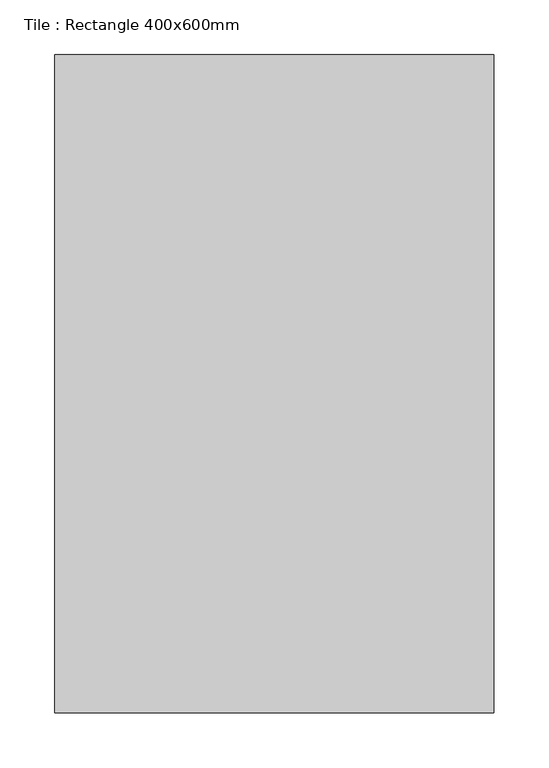
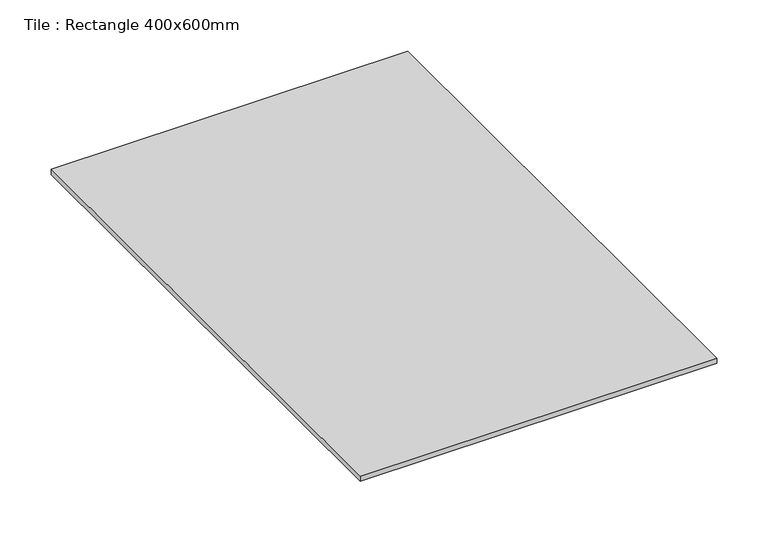
"""IFC4 building model written with IfcOpenShell, lengths in millimetres: proxy geometry, Tile : Rectangle 400x600mm."""

import ifcopenshell
import ifcopenshell.guid

model = None  # the IFC model being written
_history = None  # IfcOwnerHistory: only IFC2X3 demands one
_inside = {}  # id of a spatial element -> (the spatial element, [elements in it])
_under = {}  # id of a project, library or spatial element -> (it, [spatial elements below it])
_declared = {}  # id of a project -> (the project, [libraries it declares])
_typed = {}  # id of a type object -> (the type object, [elements of that type])
_made_of = {}  # id of a material, layer set ... -> (it, [elements and type objects made of it])


def new_model(schema):
    """Start an empty IFC model of exactly this schema.

    Asked for "IFC4X3", IfcOpenShell would pick the latest addendum, in which some entities
    have other attributes; the version numbers below select the first issue.
    IFC2X3 requires an IfcOwnerHistory on every rooted entity: one is made here for all.
    """
    global model, _history
    if schema == "IFC4X3":
        model = ifcopenshell.file(schema_version=(4, 3, 0, 0))
    else:
        model = ifcopenshell.file(schema=schema)
    _inside.clear()
    _under.clear()
    _declared.clear()
    _typed.clear()
    _made_of.clear()
    _history = None
    if model.schema == "IFC2X3":
        org = make("IfcOrganization", Name="unknown")
        user = make(
            "IfcPersonAndOrganization",
            ThePerson=make("IfcPerson", FamilyName="unknown"),
            TheOrganization=org,
        )
        app = make(
            "IfcApplication",
            ApplicationDeveloper=org,
            Version="unknown",
            ApplicationFullName="unknown",
            ApplicationIdentifier="unknown",
        )
        _history = make(
            "IfcOwnerHistory",
            OwningUser=user,
            OwningApplication=app,
            ChangeAction="ADDED",
            CreationDate=0,
        )
    return model


def make(cls, **values):
    """One entity of the class cls with the attributes given. An attribute that is None is left unset."""
    return model.create_entity(
        cls, **{name: value for name, value in values.items() if value is not None}
    )


def rooted(cls, **values):
    """An entity with a GlobalId (a new one), such as an element, a storey or a relation."""
    return make(cls, GlobalId=ifcopenshell.guid.new(), OwnerHistory=_history, **values)


def si_unit(unit_type, name, prefix=None):
    """IfcSIUnit, for example si_unit("LENGTHUNIT", "METRE", prefix="MILLI")."""
    return make("IfcSIUnit", UnitType=unit_type, Prefix=prefix, Name=name)


def assignment(units):
    """IfcUnitAssignment: the units of a project."""
    return None if units is None else make("IfcUnitAssignment", Units=units)


def point(xyz):
    """IfcCartesianPoint."""
    return None if xyz is None else make("IfcCartesianPoint", Coordinates=xyz)


def direction(xyz):
    """IfcDirection."""
    return None if xyz is None else make("IfcDirection", DirectionRatios=xyz)


def frame(location, z_axis=None, x_axis=None):
    """IfcAxis2Placement3D, a coordinate frame: its origin and axes. An axis left out is left unset."""
    return make(
        "IfcAxis2Placement3D",
        Location=point(location),
        Axis=direction(z_axis),
        RefDirection=direction(x_axis),
    )


def origin():
    """The frame at (0, 0, 0) with its axes left unset."""
    return frame((0.0, 0.0, 0.0))


def origin_with_axes():
    """The frame at (0, 0, 0) with the z axis (0, 0, 1) and the x axis (1, 0, 0) written out."""
    return frame((0.0, 0.0, 0.0), z_axis=(0.0, 0.0, 1.0), x_axis=(1.0, 0.0, 0.0))


def place(relative_to, where):
    """IfcLocalPlacement: puts the frame where relative to a parent placement (None: the world)."""
    return make(
        "IfcLocalPlacement", PlacementRelTo=relative_to, RelativePlacement=where
    )


def context(
    kind, dimensions, precision=None, world=None, true_north=None, identifier=None
):
    """IfcGeometricRepresentationContext, for example the 3D "Model" context."""
    return make(
        "IfcGeometricRepresentationContext",
        ContextIdentifier=identifier,
        ContextType=kind,
        CoordinateSpaceDimension=dimensions,
        Precision=precision,
        WorldCoordinateSystem=world,
        TrueNorth=true_north,
    )


def project(units=None, contexts=None):
    """IfcProject with its units and contexts."""
    return rooted(
        "IfcProject",
        Name="project",
        RepresentationContexts=contexts,
        UnitsInContext=assignment(units),
    )


def spatial(cls, under=None, at=None, **own):
    """A site, building, storey or space (cls), placed at a placement, below another one or the project."""
    s = rooted(cls, ObjectPlacement=at, **own)
    if under is not None:
        _under.setdefault(under.id(), (under, []))[1].append(s)
    return s


def polyline(points):
    """IfcPolyline through the points."""
    return make("IfcPolyline", Points=[point(p) for p in points])


def outline(outer, holes=None, kind="AREA"):
    """IfcArbitraryClosedProfileDef: a profile drawn as a closed curve; with holes, ...WithVoids."""
    if holes is None:
        return make("IfcArbitraryClosedProfileDef", ProfileType=kind, OuterCurve=outer)
    return make(
        "IfcArbitraryProfileDefWithVoids",
        ProfileType=kind,
        OuterCurve=outer,
        InnerCurves=holes,
    )


def extrude(swept, where, along, depth):
    """IfcExtrudedAreaSolid: the profile swept, set in the frame where, extruded along a direction by depth."""
    return make(
        "IfcExtrudedAreaSolid",
        SweptArea=swept,
        Position=where,
        ExtrudedDirection=direction(along),
        Depth=depth,
    )


def shape(context_of_items, identifier, shape_type, items):
    """IfcShapeRepresentation: the items that make up one representation, for example the "Body"."""
    return make(
        "IfcShapeRepresentation",
        ContextOfItems=context_of_items,
        RepresentationIdentifier=identifier,
        RepresentationType=shape_type,
        Items=items,
    )


def source(mapping_origin, context_of_items, identifier, shape_type, items):
    """IfcRepresentationMap: a shape defined once, which mapped items show again and again."""
    return make(
        "IfcRepresentationMap",
        MappingOrigin=mapping_origin,
        MappedRepresentation=shape(context_of_items, identifier, shape_type, items),
    )


def transform(
    local_origin,
    x_axis=None,
    y_axis=None,
    z_axis=None,
    scale=None,
    scale2=None,
    scale3=None,
    uniform=True,
):
    """IfcCartesianTransformationOperator3D, or its non-uniform kind. x_axis, y_axis, z_axis: its Axis1, 2, 3."""
    if uniform:
        return make(
            "IfcCartesianTransformationOperator3D",
            Axis1=direction(x_axis),
            Axis2=direction(y_axis),
            LocalOrigin=point(local_origin),
            Scale=scale,
            Axis3=direction(z_axis),
        )
    return make(
        "IfcCartesianTransformationOperator3DnonUniform",
        Axis1=direction(x_axis),
        Axis2=direction(y_axis),
        LocalOrigin=point(local_origin),
        Scale=scale,
        Axis3=direction(z_axis),
        Scale2=scale2,
        Scale3=scale3,
    )


def mapped(mapping_source, mapping_target):
    """IfcMappedItem: shows the shape of a source again, moved by a transform."""
    return make(
        "IfcMappedItem", MappingSource=mapping_source, MappingTarget=mapping_target
    )


def made_of(thing, what):
    """Note that an element or type object is made of a material, layer set ...; save() writes the relation."""
    if what is not None:
        _made_of.setdefault(what.id(), (what, []))[1].append(thing)
    return thing


def element(
    cls,
    number,
    at=None,
    inside=None,
    cuts=None,
    type_object=None,
    material=None,
    context=None,
    identifier="Body",
    shape_type=None,
    held_by="IfcProductDefinitionShape",
    body=None,
    shapes=None,
    **own,
):
    """One element of the class cls, such as IfcWall. Its Tag is "e" and its number.

    at: its placement. inside: the storey or other place that contains it. cuts: it is an
    opening in that element (IfcRelVoidsElement). A single representation is given by context,
    identifier, shape_type and body (its items); several are given by shapes. held_by: the class
    of the entity that holds the representations. save() writes the other relations.
    """
    e = rooted(cls, Tag="e%d" % number, ObjectPlacement=at, **own)
    if body is not None:
        shapes = [shape(context, identifier, shape_type, body)]
    if shapes is not None:
        e.Representation = make(held_by, Representations=shapes)
    if inside is not None:
        _inside.setdefault(inside.id(), (inside, []))[1].append(e)
    if cuts is not None:
        rooted(
            "IfcRelVoidsElement", RelatingBuildingElement=cuts, RelatedOpeningElement=e
        )
    if type_object is not None:
        _typed.setdefault(type_object.id(), (type_object, []))[1].append(e)
    return made_of(e, material)


def aggregate(whole, parts):
    """IfcRelAggregates: a whole, such as a stair, and the parts it consists of."""
    return rooted("IfcRelAggregates", RelatingObject=whole, RelatedObjects=parts)


def save(model, path):
    """Write the relations noted so far, then the file.

    IfcRelAggregates (storeys below a building ...), IfcRelContainedInSpatialStructure (elements
    in a storey), IfcRelDefinesByType, IfcRelAssociatesMaterial and IfcRelDeclares: one each for
    every whole, place, type object, material and project.
    """
    for whole, parts in _under.values():
        aggregate(whole, parts)
    for where, things in _inside.values():
        rooted(
            "IfcRelContainedInSpatialStructure",
            RelatedElements=things,
            RelatingStructure=where,
        )
    for kind, things in _typed.values():
        rooted("IfcRelDefinesByType", RelatedObjects=things, RelatingType=kind)
    for what, things in _made_of.values():
        rooted("IfcRelAssociatesMaterial", RelatedObjects=things, RelatingMaterial=what)
    for by, libraries in _declared.values():
        rooted("IfcRelDeclares", RelatingContext=by, RelatedDefinitions=libraries)
    model.write(path)


def tile_rectangle_400x600mm_2a1b1936(model_context):
    return source(origin(), model_context, "Body", "SweptSolid", [
        extrude(outline(polyline([(200.0, 300.0), (200.0, -300.0), (-200.0, -300.0), (-200.0, 300.0), (200.0, 300.0)])), origin_with_axes(), (0.0, 0.0, 1.0), 6.0),
    ])


if __name__ == "__main__":
    model = new_model("IFC4")
    model_context = context("Model", 3, world=origin())
    ifc_project = project(units=[si_unit("LENGTHUNIT", "METRE", prefix="MILLI")], contexts=[model_context])
    site = spatial("IfcSite", under=ifc_project)
    building = spatial("IfcBuilding", under=site)
    placement = place(None, origin())
    tile_rectangle_400x600mm_shape = tile_rectangle_400x600mm_2a1b1936(model_context)
    element("IfcBuildingElementProxy", 1, Name="Tile : Rectangle 400x600mm", ObjectType="Tile : Rectangle 400x600mm", at=placement, inside=building, context=model_context, shape_type="MappedRepresentation", body=[
        mapped(tile_rectangle_400x600mm_shape, transform((0.0, 0.0, 0.0), x_axis=(1.0, 0.0, 0.0), y_axis=(0.0, 1.0, 0.0), z_axis=(0.0, 0.0, 1.0))),
    ])
    save(model, "model.ifc")
